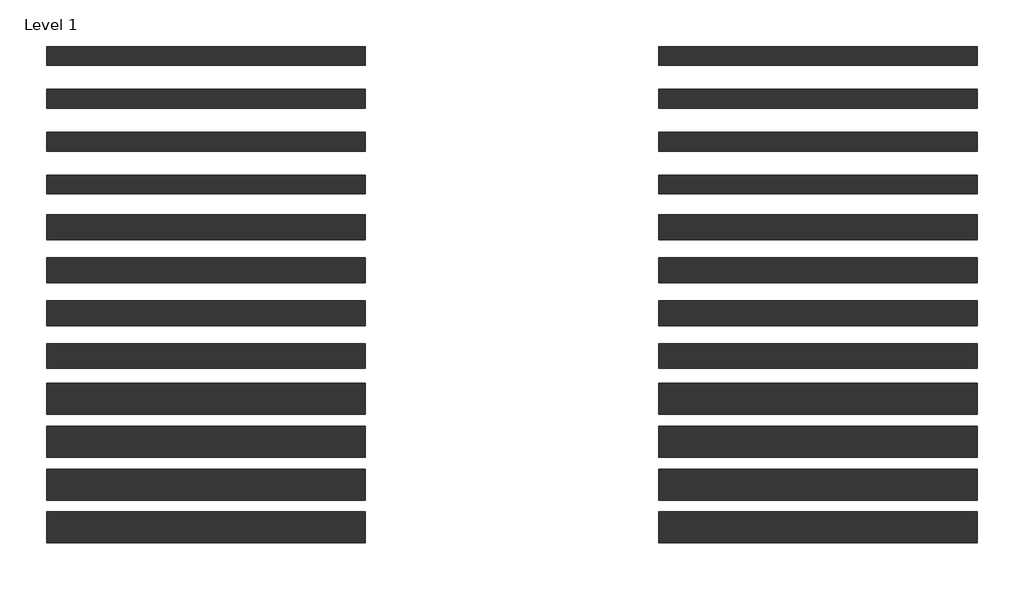
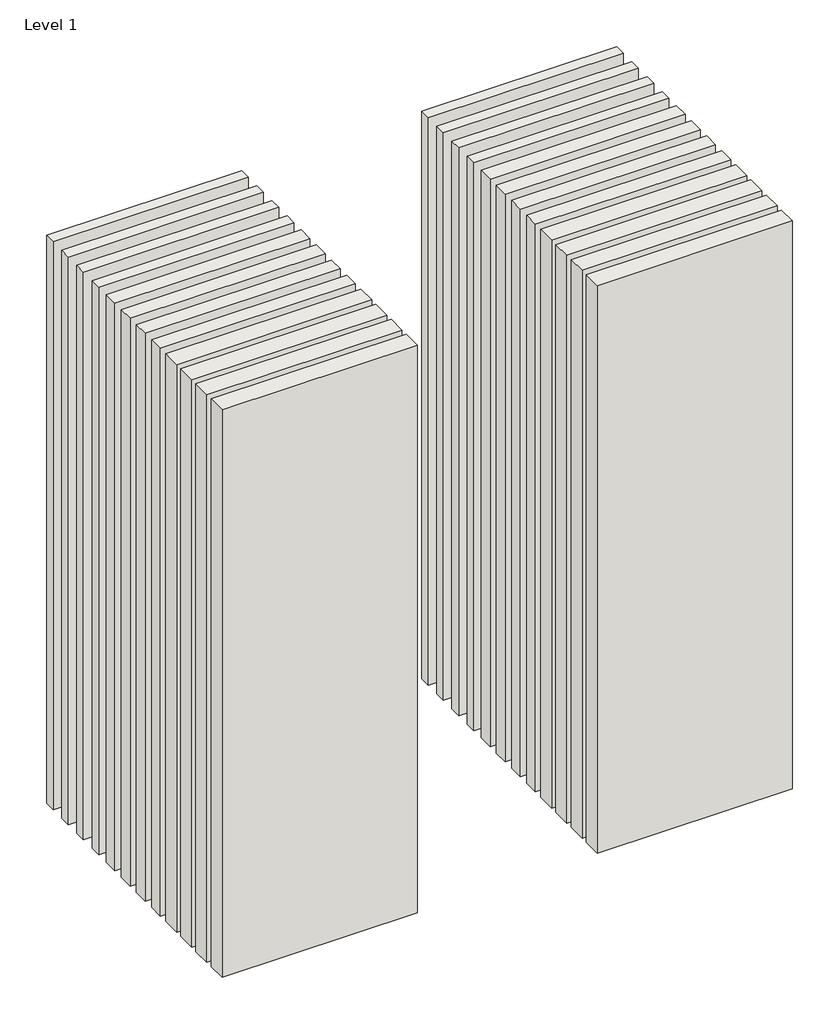
# One storey: 24 walls.
"""IFC4 building model written with IfcOpenShell, lengths in millimetres."""

from ifc_helpers import new_model, si_unit, origin, origin_with_axes, place, context, project, spatial, polyline, outline, extrude, element, save

model = new_model("IFC4")

# Units and contexts
model_context = context("Model", 3, world=origin())
ifc_project = project(units=[si_unit("LENGTHUNIT", "METRE", prefix="MILLI")], contexts=[model_context])

# Site, building, storey
site = spatial("IfcSite", under=ifc_project)
building = spatial("IfcBuilding", under=site)
storey = spatial("IfcBuildingStorey", under=building, Name="Level 1", Elevation=0.0)

# Walls
placement = place(None, origin())
element("IfcWall", 1, at=placement, inside=storey, context=model_context, shape_type="SweptSolid", body=[
    extrude(outline(polyline([(-16904.1464237, 3659.9042935), (-19504.1464237, 3659.9042935), (-19504.1464237, 3812.9042935), (-16904.1464237, 3812.9042935), (-16904.1464237, 3659.9042935)])), origin_with_axes(), (0.0, 0.0, 1.0), 8000.0),
])
element("IfcWall", 2, at=placement, inside=storey, context=model_context, shape_type="SweptSolid", body=[
    extrude(outline(polyline([(-16904.1464237, 3309.9042935), (-19504.1464237, 3309.9042935), (-19504.1464237, 3462.9042935), (-16904.1464237, 3462.9042935), (-16904.1464237, 3309.9042935)])), origin_with_axes(), (0.0, 0.0, 1.0), 8000.0),
])
element("IfcWall", 3, at=placement, inside=storey, context=model_context, shape_type="SweptSolid", body=[
    extrude(outline(polyline([(-16904.1464237, 2959.9042935), (-19504.1464237, 2959.9042935), (-19504.1464237, 3112.9042935), (-16904.1464237, 3112.9042935), (-16904.1464237, 2959.9042935)])), origin_with_axes(), (0.0, 0.0, 1.0), 8000.0),
])
element("IfcWall", 4, at=placement, inside=storey, context=model_context, shape_type="SweptSolid", body=[
    extrude(outline(polyline([(-16904.1464237, 2609.9042935), (-19504.1464237, 2609.9042935), (-19504.1464237, 2762.9042935), (-16904.1464237, 2762.9042935), (-16904.1464237, 2609.9042935)])), origin_with_axes(), (0.0, 0.0, 1.0), 8000.0),
])
element("IfcWall", 5, at=placement, inside=storey, context=model_context, shape_type="SweptSolid", body=[
    extrude(outline(polyline([(-16904.1464237, 2234.9042935), (-19504.1464237, 2234.9042935), (-19504.1464237, 2437.9042935), (-16904.1464237, 2437.9042935), (-16904.1464237, 2234.9042935)])), origin_with_axes(), (0.0, 0.0, 1.0), 8000.0),
])
element("IfcWall", 6, at=placement, inside=storey, context=model_context, shape_type="SweptSolid", body=[
    extrude(outline(polyline([(-16904.1464237, 1884.9042935), (-19504.1464237, 1884.9042935), (-19504.1464237, 2087.9042935), (-16904.1464237, 2087.9042935), (-16904.1464237, 1884.9042935)])), origin_with_axes(), (0.0, 0.0, 1.0), 8000.0),
])
element("IfcWall", 7, at=placement, inside=storey, context=model_context, shape_type="SweptSolid", body=[
    extrude(outline(polyline([(-16904.1464237, 1534.9042935), (-19504.1464237, 1534.9042935), (-19504.1464237, 1737.9042935), (-16904.1464237, 1737.9042935), (-16904.1464237, 1534.9042935)])), origin_with_axes(), (0.0, 0.0, 1.0), 8000.0),
])
element("IfcWall", 8, at=placement, inside=storey, context=model_context, shape_type="SweptSolid", body=[
    extrude(outline(polyline([(-16904.1464237, 1184.9042935), (-19504.1464237, 1184.9042935), (-19504.1464237, 1387.9042935), (-16904.1464237, 1387.9042935), (-16904.1464237, 1184.9042935)])), origin_with_axes(), (0.0, 0.0, 1.0), 8000.0),
])
element("IfcWall", 9, at=placement, inside=storey, context=model_context, shape_type="SweptSolid", body=[
    extrude(outline(polyline([(-16904.1464237, 809.9042935), (-19504.1464237, 809.9042935), (-19504.1464237, 1062.9042935), (-16904.1464237, 1062.9042935), (-16904.1464237, 809.9042935)])), origin_with_axes(), (0.0, 0.0, 1.0), 8000.0),
])
element("IfcWall", 10, at=placement, inside=storey, context=model_context, shape_type="SweptSolid", body=[
    extrude(outline(polyline([(-16904.1464237, 459.9042935), (-19504.1464237, 459.9042935), (-19504.1464237, 712.9042935), (-16904.1464237, 712.9042935), (-16904.1464237, 459.9042935)])), origin_with_axes(), (0.0, 0.0, 1.0), 8000.0),
])
element("IfcWall", 11, at=placement, inside=storey, context=model_context, shape_type="SweptSolid", body=[
    extrude(outline(polyline([(-16904.1464237, 109.9042935), (-19504.1464237, 109.9042935), (-19504.1464237, 362.9042935), (-16904.1464237, 362.9042935), (-16904.1464237, 109.9042935)])), origin_with_axes(), (0.0, 0.0, 1.0), 8000.0),
])
element("IfcWall", 12, at=placement, inside=storey, context=model_context, shape_type="SweptSolid", body=[
    extrude(outline(polyline([(-16904.1464237, -240.0957065), (-19504.1464237, -240.0957065), (-19504.1464237, 12.9042935), (-16904.1464237, 12.9042935), (-16904.1464237, -240.0957065)])), origin_with_axes(), (0.0, 0.0, 1.0), 8000.0),
])
element("IfcWall", 13, at=placement, inside=storey, context=model_context, shape_type="SweptSolid", body=[
    extrude(outline(polyline([(-11904.1464237, 3659.9042935), (-14504.1464237, 3659.9042935), (-14504.1464237, 3812.9042935), (-11904.1464237, 3812.9042935), (-11904.1464237, 3659.9042935)])), origin_with_axes(), (0.0, 0.0, 1.0), 8000.0),
])
element("IfcWall", 14, at=placement, inside=storey, context=model_context, shape_type="SweptSolid", body=[
    extrude(outline(polyline([(-11904.1464237, 3309.9042935), (-14504.1464237, 3309.9042935), (-14504.1464237, 3462.9042935), (-11904.1464237, 3462.9042935), (-11904.1464237, 3309.9042935)])), origin_with_axes(), (0.0, 0.0, 1.0), 8000.0),
])
element("IfcWall", 15, at=placement, inside=storey, context=model_context, shape_type="SweptSolid", body=[
    extrude(outline(polyline([(-11904.1464237, 2959.9042935), (-14504.1464237, 2959.9042935), (-14504.1464237, 3112.9042935), (-11904.1464237, 3112.9042935), (-11904.1464237, 2959.9042935)])), origin_with_axes(), (0.0, 0.0, 1.0), 8000.0),
])
element("IfcWall", 16, at=placement, inside=storey, context=model_context, shape_type="SweptSolid", body=[
    extrude(outline(polyline([(-11904.1464237, 2609.9042935), (-14504.1464237, 2609.9042935), (-14504.1464237, 2762.9042935), (-11904.1464237, 2762.9042935), (-11904.1464237, 2609.9042935)])), origin_with_axes(), (0.0, 0.0, 1.0), 8000.0),
])
element("IfcWall", 17, at=placement, inside=storey, context=model_context, shape_type="SweptSolid", body=[
    extrude(outline(polyline([(-11904.1464237, 2234.9042935), (-14504.1464237, 2234.9042935), (-14504.1464237, 2437.9042935), (-11904.1464237, 2437.9042935), (-11904.1464237, 2234.9042935)])), origin_with_axes(), (0.0, 0.0, 1.0), 8000.0),
])
element("IfcWall", 18, at=placement, inside=storey, context=model_context, shape_type="SweptSolid", body=[
    extrude(outline(polyline([(-11904.1464237, 1884.9042935), (-14504.1464237, 1884.9042935), (-14504.1464237, 2087.9042935), (-11904.1464237, 2087.9042935), (-11904.1464237, 1884.9042935)])), origin_with_axes(), (0.0, 0.0, 1.0), 8000.0),
])
element("IfcWall", 19, at=placement, inside=storey, context=model_context, shape_type="SweptSolid", body=[
    extrude(outline(polyline([(-11904.1464237, 1534.9042935), (-14504.1464237, 1534.9042935), (-14504.1464237, 1737.9042935), (-11904.1464237, 1737.9042935), (-11904.1464237, 1534.9042935)])), origin_with_axes(), (0.0, 0.0, 1.0), 8000.0),
])
element("IfcWall", 20, at=placement, inside=storey, context=model_context, shape_type="SweptSolid", body=[
    extrude(outline(polyline([(-11904.1464237, 1184.9042935), (-14504.1464237, 1184.9042935), (-14504.1464237, 1387.9042935), (-11904.1464237, 1387.9042935), (-11904.1464237, 1184.9042935)])), origin_with_axes(), (0.0, 0.0, 1.0), 8000.0),
])
element("IfcWall", 21, at=placement, inside=storey, context=model_context, shape_type="SweptSolid", body=[
    extrude(outline(polyline([(-11904.1464237, 809.9042935), (-14504.1464237, 809.9042935), (-14504.1464237, 1062.9042935), (-11904.1464237, 1062.9042935), (-11904.1464237, 809.9042935)])), origin_with_axes(), (0.0, 0.0, 1.0), 8000.0),
])
element("IfcWall", 22, at=placement, inside=storey, context=model_context, shape_type="SweptSolid", body=[
    extrude(outline(polyline([(-11904.1464237, 459.9042935), (-14504.1464237, 459.9042935), (-14504.1464237, 712.9042935), (-11904.1464237, 712.9042935), (-11904.1464237, 459.9042935)])), origin_with_axes(), (0.0, 0.0, 1.0), 8000.0),
])
element("IfcWall", 23, at=placement, inside=storey, context=model_context, shape_type="SweptSolid", body=[
    extrude(outline(polyline([(-11904.1464237, 109.9042935), (-14504.1464237, 109.9042935), (-14504.1464237, 362.9042935), (-11904.1464237, 362.9042935), (-11904.1464237, 109.9042935)])), origin_with_axes(), (0.0, 0.0, 1.0), 8000.0),
])
element("IfcWall", 24, at=placement, inside=storey, context=model_context, shape_type="SweptSolid", body=[
    extrude(outline(polyline([(-11904.1464237, -240.0957065), (-14504.1464237, -240.0957065), (-14504.1464237, 12.9042935), (-11904.1464237, 12.9042935), (-11904.1464237, -240.0957065)])), origin_with_axes(), (0.0, 0.0, 1.0), 8000.0),
])

save(model, "model.ifc")
